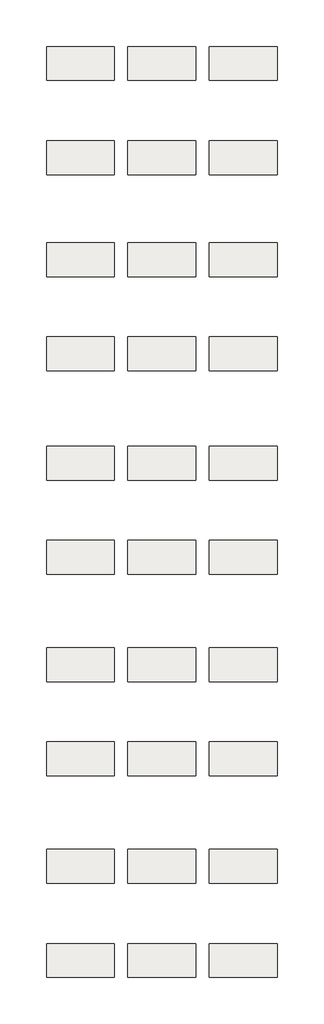
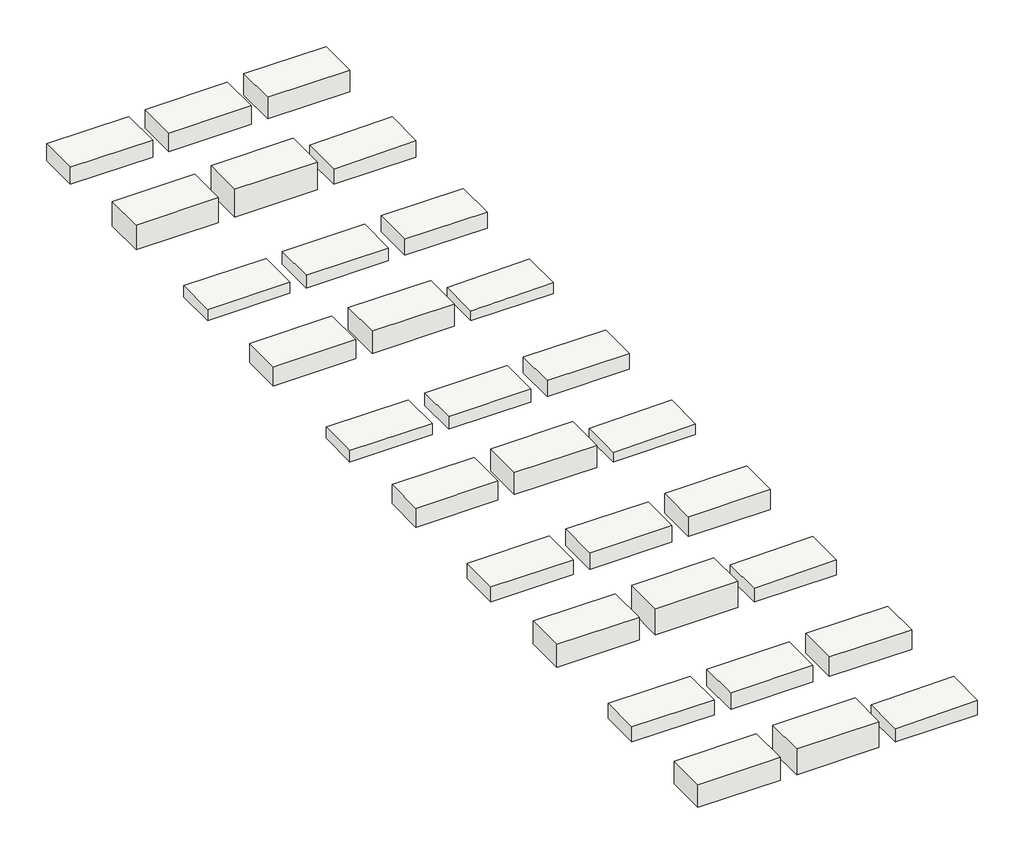
# One storey: 30 roofs.
"""IFC4 building model written with IfcOpenShell, lengths in millimetres."""

from ifc_helpers import new_model, si_unit, frame, origin, origin_with_axes, place, context, project, spatial, polyline, outline, extrude, element, save

model = new_model("IFC4")

# Units and contexts
model_context = context("Model", 3, world=origin())
ifc_project = project(units=[si_unit("LENGTHUNIT", "METRE", prefix="MILLI")], contexts=[model_context])

# Site, building, storey
site = spatial("IfcSite", under=ifc_project)
building = spatial("IfcBuilding", under=site)
storey = spatial("IfcBuildingStorey", under=building, Elevation=0.0)

# Roofs
placement = place(None, origin())
element("IfcRoof", 1, at=placement, inside=storey, context=model_context, shape_type="SweptSolid", body=[
    extrude(outline(polyline([(-11439.715984, 915.2062697), (-10939.715984, 915.2062697), (-10939.715984, 665.2062697), (-11439.715984, 665.2062697), (-11439.715984, 915.2062697)])), origin_with_axes(), (0.0, 0.0, 1.0), 109.0),
])
element("IfcRoof", 2, at=placement, inside=storey, context=model_context, shape_type="SweptSolid", body=[
    extrude(outline(polyline([(-10839.715984, 915.2062697), (-10339.715984, 915.2062697), (-10339.715984, 665.2062697), (-10839.715984, 665.2062697), (-10839.715984, 915.2062697)])), origin_with_axes(), (0.0, 0.0, 1.0), 119.0),
])
element("IfcRoof", 3, at=placement, inside=storey, context=model_context, shape_type="SweptSolid", body=[
    extrude(outline(polyline([(-10239.715984, 915.2062697), (-9739.715984, 915.2062697), (-9739.715984, 665.2062697), (-10239.715984, 665.2062697), (-10239.715984, 915.2062697)])), origin_with_axes(), (0.0, 0.0, 1.0), 139.0),
])
element("IfcRoof", 4, at=placement, inside=storey, context=model_context, shape_type="SweptSolid", body=[
    extrude(outline(polyline([(-11439.715984, 220.9661222), (-10939.715984, 220.9661222), (-10939.715984, -29.0338778), (-11439.715984, -29.0338778), (-11439.715984, 220.9661222)])), origin_with_axes(), (0.0, 0.0, 1.0), 159.0),
])
element("IfcRoof", 5, at=placement, inside=storey, context=model_context, shape_type="SweptSolid", body=[
    extrude(outline(polyline([(-10839.715984, 220.9661222), (-10339.715984, 220.9661222), (-10339.715984, -29.0338778), (-10839.715984, -29.0338778), (-10839.715984, 220.9661222)])), origin_with_axes(), (0.0, 0.0, 1.0), 179.0),
])
element("IfcRoof", 6, at=placement, inside=storey, context=model_context, shape_type="SweptSolid", body=[
    extrude(outline(polyline([(99.0, -10239.715984), (0.0, -10239.715984), (0.0, -9739.715984), (107.333, -9739.715984), (99.0, -10239.715984)])), frame((0.0, -29.0338778, 0.0), z_axis=(0.0, 1.0, 0.0), x_axis=(0.0, 0.0, 1.0)), (0.0, 0.0, 1.0), 250.0),
])
element("IfcRoof", 7, at=placement, inside=storey, context=model_context, shape_type="SweptSolid", body=[
    extrude(outline(polyline([(-11439.715984, -530.1747309), (-10939.715984, -530.1747309), (-10939.715984, -780.1747309), (-11439.715984, -780.1747309), (-11439.715984, -530.1747309)])), origin_with_axes(), (0.0, 0.0, 1.0), 72.0),
])
element("IfcRoof", 8, at=placement, inside=storey, context=model_context, shape_type="SweptSolid", body=[
    extrude(outline(polyline([(-10839.715984, -530.1747309), (-10339.715984, -530.1747309), (-10339.715984, -780.1747309), (-10839.715984, -780.1747309), (-10839.715984, -530.1747309)])), origin_with_axes(), (0.0, 0.0, 1.0), 82.0),
])
element("IfcRoof", 9, at=placement, inside=storey, context=model_context, shape_type="SweptSolid", body=[
    extrude(outline(polyline([(-10239.715984, -530.1747309), (-9739.715984, -530.1747309), (-9739.715984, -780.1747309), (-10239.715984, -780.1747309), (-10239.715984, -530.1747309)])), origin_with_axes(), (0.0, 0.0, 1.0), 102.0),
])
element("IfcRoof", 10, at=placement, inside=storey, context=model_context, shape_type="SweptSolid", body=[
    extrude(outline(polyline([(-11439.715984, -1224.4148784), (-10939.715984, -1224.4148784), (-10939.715984, -1474.4148784), (-11439.715984, -1474.4148784), (-11439.715984, -1224.4148784)])), origin_with_axes(), (0.0, 0.0, 1.0), 122.0),
])
element("IfcRoof", 11, at=placement, inside=storey, context=model_context, shape_type="SweptSolid", body=[
    extrude(outline(polyline([(-10839.715984, -1224.4148784), (-10339.715984, -1224.4148784), (-10339.715984, -1474.4148784), (-10839.715984, -1474.4148784), (-10839.715984, -1224.4148784)])), origin_with_axes(), (0.0, 0.0, 1.0), 142.0),
])
element("IfcRoof", 12, at=placement, inside=storey, context=model_context, shape_type="SweptSolid", body=[
    extrude(outline(polyline([(62.0, -10239.715984), (0.0, -10239.715984), (0.0, -9739.715984), (70.333, -9739.715984), (62.0, -10239.715984)])), frame((0.0, -1474.4148784, 0.0), z_axis=(0.0, 1.0, 0.0), x_axis=(0.0, 0.0, 1.0)), (0.0, 0.0, 1.0), 250.0),
])
element("IfcRoof", 13, at=placement, inside=storey, context=model_context, shape_type="SweptSolid", body=[
    extrude(outline(polyline([(-11439.715984, -2028.5941851), (-10939.715984, -2028.5941851), (-10939.715984, -2278.5941851), (-11439.715984, -2278.5941851), (-11439.715984, -2028.5941851)])), origin_with_axes(), (0.0, 0.0, 1.0), 72.0),
])
element("IfcRoof", 14, at=placement, inside=storey, context=model_context, shape_type="SweptSolid", body=[
    extrude(outline(polyline([(-10839.715984, -2028.5941851), (-10339.715984, -2028.5941851), (-10339.715984, -2278.5941851), (-10839.715984, -2278.5941851), (-10839.715984, -2028.5941851)])), origin_with_axes(), (0.0, 0.0, 1.0), 82.0),
])
element("IfcRoof", 15, at=placement, inside=storey, context=model_context, shape_type="SweptSolid", body=[
    extrude(outline(polyline([(-10239.715984, -2028.5941851), (-9739.715984, -2028.5941851), (-9739.715984, -2278.5941851), (-10239.715984, -2278.5941851), (-10239.715984, -2028.5941851)])), origin_with_axes(), (0.0, 0.0, 1.0), 102.0),
])
element("IfcRoof", 16, at=placement, inside=storey, context=model_context, shape_type="SweptSolid", body=[
    extrude(outline(polyline([(-11439.715984, -2722.8343326), (-10939.715984, -2722.8343326), (-10939.715984, -2972.8343326), (-11439.715984, -2972.8343326), (-11439.715984, -2722.8343326)])), origin_with_axes(), (0.0, 0.0, 1.0), 122.0),
])
element("IfcRoof", 17, at=placement, inside=storey, context=model_context, shape_type="SweptSolid", body=[
    extrude(outline(polyline([(-10839.715984, -2722.8343326), (-10339.715984, -2722.8343326), (-10339.715984, -2972.8343326), (-10839.715984, -2972.8343326), (-10839.715984, -2722.8343326)])), origin_with_axes(), (0.0, 0.0, 1.0), 142.0),
])
element("IfcRoof", 18, at=placement, inside=storey, context=model_context, shape_type="SweptSolid", body=[
    extrude(outline(polyline([(62.0, -10239.715984), (0.0, -10239.715984), (0.0, -9739.715984), (70.333, -9739.715984), (62.0, -10239.715984)])), frame((0.0, -2972.8343326, 0.0), z_axis=(0.0, 1.0, 0.0), x_axis=(0.0, 0.0, 1.0)), (0.0, 0.0, 1.0), 250.0),
])
element("IfcRoof", 19, at=placement, inside=storey, context=model_context, shape_type="SweptSolid", body=[
    extrude(outline(polyline([(-11439.715984, -3513.9751856), (-10939.715984, -3513.9751856), (-10939.715984, -3763.9751856), (-11439.715984, -3763.9751856), (-11439.715984, -3513.9751856)])), origin_with_axes(), (0.0, 0.0, 1.0), 96.0),
])
element("IfcRoof", 20, at=placement, inside=storey, context=model_context, shape_type="SweptSolid", body=[
    extrude(outline(polyline([(-10839.715984, -3513.9751856), (-10339.715984, -3513.9751856), (-10339.715984, -3763.9751856), (-10839.715984, -3763.9751856), (-10839.715984, -3513.9751856)])), origin_with_axes(), (0.0, 0.0, 1.0), 106.0),
])
element("IfcRoof", 21, at=placement, inside=storey, context=model_context, shape_type="SweptSolid", body=[
    extrude(outline(polyline([(-10239.715984, -3513.9751856), (-9739.715984, -3513.9751856), (-9739.715984, -3763.9751856), (-10239.715984, -3763.9751856), (-10239.715984, -3513.9751856)])), origin_with_axes(), (0.0, 0.0, 1.0), 126.0),
])
element("IfcRoof", 22, at=placement, inside=storey, context=model_context, shape_type="SweptSolid", body=[
    extrude(outline(polyline([(-11439.715984, -4208.2153331), (-10939.715984, -4208.2153331), (-10939.715984, -4458.2153331), (-11439.715984, -4458.2153331), (-11439.715984, -4208.2153331)])), origin_with_axes(), (0.0, 0.0, 1.0), 146.0),
])
element("IfcRoof", 23, at=placement, inside=storey, context=model_context, shape_type="SweptSolid", body=[
    extrude(outline(polyline([(-10839.715984, -4208.2153331), (-10339.715984, -4208.2153331), (-10339.715984, -4458.2153331), (-10839.715984, -4458.2153331), (-10839.715984, -4208.2153331)])), origin_with_axes(), (0.0, 0.0, 1.0), 166.0),
])
element("IfcRoof", 24, at=placement, inside=storey, context=model_context, shape_type="SweptSolid", body=[
    extrude(outline(polyline([(86.0, -10239.715984), (0.0, -10239.715984), (0.0, -9739.715984), (94.333, -9739.715984), (86.0, -10239.715984)])), frame((0.0, -4458.2153331, 0.0), z_axis=(0.0, 1.0, 0.0), x_axis=(0.0, 0.0, 1.0)), (0.0, 0.0, 1.0), 250.0),
])
element("IfcRoof", 25, at=placement, inside=storey, context=model_context, shape_type="SweptSolid", body=[
    extrude(outline(polyline([(-11439.715984, -4999.3561862), (-10939.715984, -4999.3561862), (-10939.715984, -5249.3561862), (-11439.715984, -5249.3561862), (-11439.715984, -4999.3561862)])), origin_with_axes(), (0.0, 0.0, 1.0), 96.0),
])
element("IfcRoof", 26, at=placement, inside=storey, context=model_context, shape_type="SweptSolid", body=[
    extrude(outline(polyline([(-10839.715984, -4999.3561862), (-10339.715984, -4999.3561862), (-10339.715984, -5249.3561862), (-10839.715984, -5249.3561862), (-10839.715984, -4999.3561862)])), origin_with_axes(), (0.0, 0.0, 1.0), 106.0),
])
element("IfcRoof", 27, at=placement, inside=storey, context=model_context, shape_type="SweptSolid", body=[
    extrude(outline(polyline([(-10239.715984, -4999.3561862), (-9739.715984, -4999.3561862), (-9739.715984, -5249.3561862), (-10239.715984, -5249.3561862), (-10239.715984, -4999.3561862)])), origin_with_axes(), (0.0, 0.0, 1.0), 126.0),
])
element("IfcRoof", 28, at=placement, inside=storey, context=model_context, shape_type="SweptSolid", body=[
    extrude(outline(polyline([(-11439.715984, -5693.5963337), (-10939.715984, -5693.5963337), (-10939.715984, -5943.5963337), (-11439.715984, -5943.5963337), (-11439.715984, -5693.5963337)])), origin_with_axes(), (0.0, 0.0, 1.0), 146.0),
])
element("IfcRoof", 29, at=placement, inside=storey, context=model_context, shape_type="SweptSolid", body=[
    extrude(outline(polyline([(-10839.715984, -5693.5963337), (-10339.715984, -5693.5963337), (-10339.715984, -5943.5963337), (-10839.715984, -5943.5963337), (-10839.715984, -5693.5963337)])), origin_with_axes(), (0.0, 0.0, 1.0), 166.0),
])
element("IfcRoof", 30, at=placement, inside=storey, context=model_context, shape_type="SweptSolid", body=[
    extrude(outline(polyline([(86.0, -10239.715984), (0.0, -10239.715984), (0.0, -9739.715984), (94.333, -9739.715984), (86.0, -10239.715984)])), frame((0.0, -5943.5963337, 0.0), z_axis=(0.0, 1.0, 0.0), x_axis=(0.0, 0.0, 1.0)), (0.0, 0.0, 1.0), 250.0),
])

save(model, "model.ifc")
